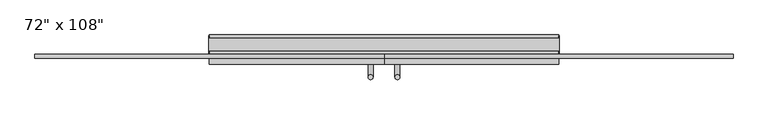
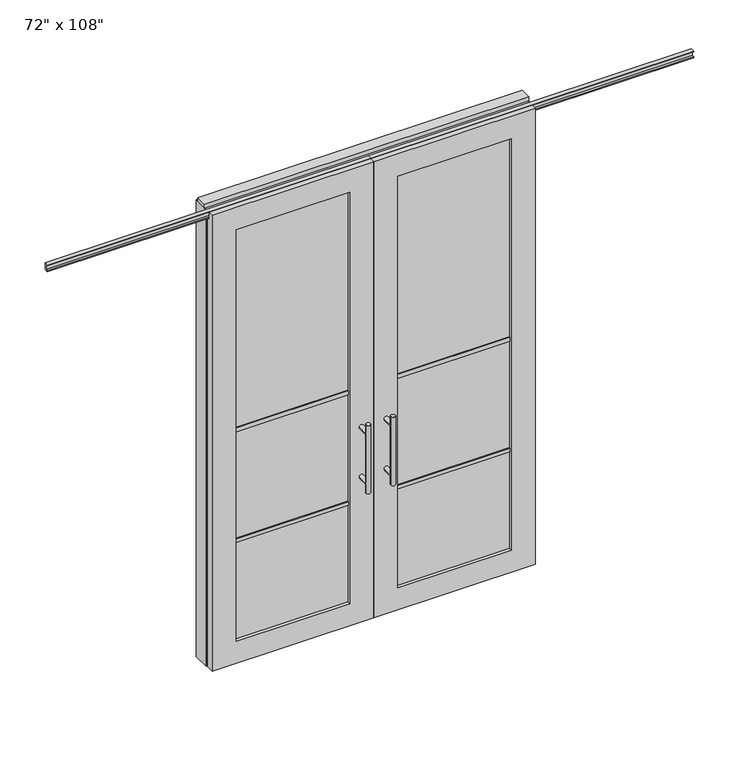
"""IFC4 building model written with IfcOpenShell, lengths in millimetres: furniture geometry."""

from ifc_helpers import new_model, si_unit, frame, origin, origin_with_axes, place, context, project, spatial, polyline, circle_curve, ellipse_curve, outline, extrude, faceted_brep, source, transform, mapped, element, save
from ifc_brep_helpers import plane_surface, cylinder_surface, advanced_brep


def furniture_601c990f(model_context):
    return source(origin(), model_context, "Body", "SolidModel", [
        advanced_brep(
        [(-117.3135229, 5.8962784, 1219.2), (-142.7135229, 5.8962784, 1219.2), (-117.3135229, 5.8962784, 812.8), (-142.7135229, 5.8962784, 812.8), (-117.3135229, 5.8962784, 1164.336), (-117.3135229, 5.8962784, 867.664), (-142.7135229, 5.8962784, 867.664), (-142.7135229, 5.8962784, 1164.336), (-117.3135229, -61.6677216, 1164.336), (-142.7135229, -61.6677216, 1164.336), (-117.3135229, -61.6677216, 867.664), (-142.7135229, -61.6677216, 867.664)],
        [
            (0, 1, circle_curve(frame((-130.0135229, 5.8962784, 1219.2), z_axis=(0.0, 0.0, 1.0), x_axis=(-1.0, 0.0, 0.0)), 12.7)),
            (1, 0, circle_curve(frame((-130.0135229, 5.8962784, 1219.2), z_axis=(0.0, 0.0, 1.0), x_axis=(-1.0, 0.0, 0.0)), 12.7)),
            (2, 3, circle_curve(frame((-130.0135229, 5.8962784, 812.8), z_axis=(0.0, 0.0, -1.0), x_axis=(-1.0, 0.0, 0.0)), 12.7)),
            (3, 2, circle_curve(frame((-130.0135229, 5.8962784, 812.8), z_axis=(0.0, 0.0, -1.0), x_axis=(-1.0, 0.0, 0.0)), 12.7)),
            (0, 4),
            (4, 5),
            (5, 2),
            (3, 6),
            (6, 7),
            (7, 1),
            (7, 4, ellipse_curve(frame((-130.0135229, 5.8962784, 1164.336), z_axis=(0.0, 0.707106781186565, 0.70710678118653), x_axis=(0.0, -0.70710678118653, 0.707106781186565)), 17.9605122, 12.7)),
            (5, 6, ellipse_curve(frame((-130.0135229, 5.8962784, 867.664), z_axis=(0.0, 0.70710678118653, -0.7071067811865649), x_axis=(0.0, 0.7071067811865648, 0.7071067811865301)), 17.9605122, 12.7)),
            (4, 7, ellipse_curve(frame((-130.0135229, 5.8962784, 1164.336), z_axis=(0.0, 0.70710678118653, -0.7071067811865649), x_axis=(0.0, 0.7071067811865648, 0.7071067811865301)), 17.9605122, 12.7)),
            (6, 5, ellipse_curve(frame((-130.0135229, 5.8962784, 867.664), z_axis=(0.0, 0.707106781186565, 0.70710678118653), x_axis=(0.0, -0.70710678118653, 0.707106781186565)), 17.9605122, 12.7)),
            (8, 9, circle_curve(frame((-130.0135229, -61.6677216, 1164.336), z_axis=(0.0, -1.0, 0.0), x_axis=(-1.0, 0.0, 0.0)), 12.7)),
            (9, 8, circle_curve(frame((-130.0135229, -61.6677216, 1164.336), z_axis=(0.0, -1.0, 0.0), x_axis=(-1.0, 0.0, 0.0)), 12.7)),
            (9, 7),
            (4, 8),
            (10, 11, circle_curve(frame((-130.0135229, -61.6677216, 867.664), z_axis=(0.0, -1.0, 0.0), x_axis=(-1.0, 0.0, 0.0)), 12.7)),
            (11, 10, circle_curve(frame((-130.0135229, -61.6677216, 867.664), z_axis=(0.0, -1.0, 0.0), x_axis=(-1.0, 0.0, 0.0)), 12.7)),
            (11, 6),
            (5, 10),
        ],
        [
            plane_surface(frame((-142.7135229, 5.8962784, 1219.2), z_axis=(0.0, 0.0, 1.0), x_axis=(0.0, -1.0, 0.0))),
            plane_surface(frame((-142.7135229, 5.8962784, 812.8), z_axis=(0.0, 0.0, -1.0), x_axis=(0.0, 1.0, 0.0))),
            cylinder_surface(frame((-130.0135229, 5.8962784, 812.8), z_axis=(0.0, 0.0, 1.0), x_axis=(-1.0, 0.0, 0.0)), 12.7),
            plane_surface(frame((-142.7135229, -61.6677216, 1164.336), z_axis=(0.0, -1.0, 0.0), x_axis=(0.0, 0.0, -1.0))),
            cylinder_surface(frame((-130.0135229, -61.6677216, 1164.336), z_axis=(0.0, 1.0, 0.0), x_axis=(-1.0, 0.0, 0.0)), 12.7),
            plane_surface(frame((-142.7135229, -61.6677216, 867.664), z_axis=(0.0, -1.0, 0.0), x_axis=(0.0, 0.0, -1.0))),
            cylinder_surface(frame((-130.0135229, -61.6677216, 867.664), z_axis=(0.0, 1.0, 0.0), x_axis=(-1.0, 0.0, 0.0)), 12.7),
        ],
        [
            (0, [[1, 2]]),
            (1, [[3, 4]]),
            (2, [[-1, 5, 6, 7, -4, 8, 9, 10]]),
            (2, [[-2, -10, 11, -5]]),
            (2, [[-3, -7, 12, -8]]),
            (2, [[13, -9, 14, -6]]),
            (3, [[15, 16]]),
            (4, [[-16, 17, -13, 18]]),
            (4, [[-15, -18, -11, -17]]),
            (5, [[19, 20]]),
            (6, [[-20, 21, -12, 22]]),
            (6, [[-19, -22, -14, -21]]),
        ],
    ),
        advanced_brep(
        [(-117.3135229, -173.6817216, 1219.2), (-142.7135229, -173.6817216, 1219.2), (-117.3135229, -173.6817216, 812.8), (-142.7135229, -173.6817216, 812.8), (-142.7135229, -173.6817216, 1164.336), (-142.7135229, -173.6817216, 867.664), (-117.3135229, -173.6817216, 867.664), (-117.3135229, -173.6817216, 1164.336), (-117.3135229, -106.1177216, 1164.336), (-142.7135229, -106.1177216, 1164.336), (-117.3135229, -106.1177216, 867.664), (-142.7135229, -106.1177216, 867.664)],
        [
            (0, 1, circle_curve(frame((-130.0135229, -173.6817216, 1219.2), z_axis=(0.0, 0.0, 1.0), x_axis=(-1.0, 0.0, 0.0)), 12.7)),
            (1, 0, circle_curve(frame((-130.0135229, -173.6817216, 1219.2), z_axis=(0.0, 0.0, 1.0), x_axis=(-1.0, 0.0, 0.0)), 12.7)),
            (2, 3, circle_curve(frame((-130.0135229, -173.6817216, 812.8), z_axis=(0.0, 0.0, -1.0), x_axis=(-1.0, 0.0, 0.0)), 12.7)),
            (3, 2, circle_curve(frame((-130.0135229, -173.6817216, 812.8), z_axis=(0.0, 0.0, -1.0), x_axis=(-1.0, 0.0, 0.0)), 12.7)),
            (1, 4),
            (4, 5),
            (5, 3),
            (2, 6),
            (6, 7),
            (7, 0),
            (6, 5, ellipse_curve(frame((-130.0135229, -173.6817216, 867.664), z_axis=(0.0, -0.707106781186565, 0.70710678118653), x_axis=(0.0, 0.70710678118653, 0.707106781186565)), 17.9605122, 12.7)),
            (4, 7, ellipse_curve(frame((-130.0135229, -173.6817216, 1164.336), z_axis=(0.0, -0.70710678118653, -0.7071067811865649), x_axis=(0.0, -0.7071067811865648, 0.7071067811865301)), 17.9605122, 12.7)),
            (7, 4, ellipse_curve(frame((-130.0135229, -173.6817216, 1164.336), z_axis=(0.0, -0.707106781186565, 0.70710678118653), x_axis=(0.0, 0.70710678118653, 0.707106781186565)), 17.9605122, 12.7)),
            (5, 6, ellipse_curve(frame((-130.0135229, -173.6817216, 867.664), z_axis=(0.0, -0.70710678118653, -0.7071067811865649), x_axis=(0.0, -0.7071067811865648, 0.7071067811865301)), 17.9605122, 12.7)),
            (8, 9, circle_curve(frame((-130.0135229, -106.1177216, 1164.336), z_axis=(0.0, 1.0, 0.0), x_axis=(-1.0, 0.0, 0.0)), 12.7)),
            (9, 8, circle_curve(frame((-130.0135229, -106.1177216, 1164.336), z_axis=(0.0, 1.0, 0.0), x_axis=(-1.0, 0.0, 0.0)), 12.7)),
            (8, 7),
            (4, 9),
            (10, 11, circle_curve(frame((-130.0135229, -106.1177216, 867.664), z_axis=(0.0, 1.0, 0.0), x_axis=(-1.0, 0.0, 0.0)), 12.7)),
            (11, 10, circle_curve(frame((-130.0135229, -106.1177216, 867.664), z_axis=(0.0, 1.0, 0.0), x_axis=(-1.0, 0.0, 0.0)), 12.7)),
            (10, 6),
            (5, 11),
        ],
        [
            plane_surface(frame((-142.7135229, -173.6817216, 1219.2), z_axis=(0.0, 0.0, 1.0), x_axis=(0.0, 1.0, 0.0))),
            plane_surface(frame((-142.7135229, -173.6817216, 812.8), z_axis=(0.0, 0.0, -1.0), x_axis=(0.0, -1.0, 0.0))),
            cylinder_surface(frame((-130.0135229, -173.6817216, 812.8), z_axis=(0.0, 0.0, 1.0), x_axis=(-1.0, 0.0, 0.0)), 12.7),
            plane_surface(frame((-142.7135229, -106.1177216, 1164.336), z_axis=(0.0, 1.0, 0.0), x_axis=(0.0, 0.0, -1.0))),
            cylinder_surface(frame((-130.0135229, -106.1177216, 1164.336), z_axis=(0.0, -1.0, 0.0), x_axis=(-1.0, 0.0, 0.0)), 12.7),
            plane_surface(frame((-142.7135229, -106.1177216, 867.664), z_axis=(0.0, 1.0, 0.0), x_axis=(0.0, 0.0, -1.0))),
            cylinder_surface(frame((-130.0135229, -106.1177216, 867.664), z_axis=(0.0, -1.0, 0.0), x_axis=(-1.0, 0.0, 0.0)), 12.7),
        ],
        [
            (0, [[1, 2]]),
            (1, [[3, 4]]),
            (2, [[5, 6, 7, -3, 8, 9, 10, -2]]),
            (2, [[-9, 11, -6, 12]]),
            (2, [[-10, 13, -5, -1]]),
            (2, [[-7, 14, -8, -4]]),
            (3, [[15, 16]]),
            (4, [[17, -12, 18, -15]]),
            (4, [[-18, -13, -17, -16]]),
            (5, [[19, 20]]),
            (6, [[21, -14, 22, -19]]),
            (6, [[-22, -11, -21, -20]]),
        ],
    ),
        extrude(outline(polyline([(-196.0535229, -95.0052216), (-834.4825229, -95.0052216), (-834.4825229, -72.7802216), (-196.0535229, -72.7802216), (-196.0535229, -95.0052216)])), frame((0.0, 0.0, 1371.6), z_axis=(0.0, 0.0, 1.0), x_axis=(1.0, 0.0, 0.0)), (0.0, 0.0, 1.0), 22.225),
        extrude(outline(polyline([(-196.0535229, -95.0052216), (-834.4825229, -95.0052216), (-834.4825229, -72.7802216), (-196.0535229, -72.7802216), (-196.0535229, -95.0052216)])), frame((0.0, 0.0, 711.2), z_axis=(0.0, 0.0, 1.0), x_axis=(1.0, 0.0, 0.0)), (0.0, 0.0, 1.0), 22.225),
        extrude(outline(polyline([(-834.4825229, -88.9727216), (-834.4825229, -78.8127216), (-196.0535229, -78.8127216), (-196.0535229, -88.9727216), (-834.4825229, -88.9727216)])), frame((0.0, 0.0, 132.969), z_axis=(0.0, 0.0, 1.0), x_axis=(1.0, 0.0, 0.0)), (0.0, 0.0, 1.0), 2451.862),
        extrude(outline(polyline([(-75.3837216, 2681.478), (-75.3837216, 2686.812), (-62.6837216, 2686.812), (-62.6837216, 2715.768), (-75.3837216, 2715.768), (-75.3837216, 2721.102), (-53.6667216, 2721.102), (-53.6667216, 2681.478), (-75.3837216, 2681.478)])), frame((-1880.9625229, 0.0, 0.0), z_axis=(1.0, 0.0, 0.0), x_axis=(0.0, 1.0, 0.0)), (0.0, 0.0, 1.0), 1820.926),
        faceted_brep([(-60.0365229, -106.1177216, 0.0), (-60.0365229, -106.1177216, 2717.8), (-970.4995229, -106.1177216, 2717.8), (-970.4995229, -106.1177216, 0.0), (-834.4825229, -106.1177216, 2584.831), (-196.0535229, -106.1177216, 2584.831), (-196.0535229, -106.1177216, 132.969), (-834.4825229, -106.1177216, 132.969), (-60.0365229, -78.6857216, 2717.8), (-60.0365229, -78.6857216, 2673.223), (-970.4995229, -78.6857216, 2673.223), (-970.4995229, -78.6857216, 2717.8), (-60.0365229, -61.6677216, 0.0), (-60.0365229, -61.6677216, 2673.223), (-970.4995229, -61.6677216, 2673.223), (-970.4995229, -61.6677216, 0.0), (-834.4825229, -61.6677216, 2584.831), (-834.4825229, -61.6677216, 132.969), (-196.0535229, -61.6677216, 132.969), (-196.0535229, -61.6677216, 2584.831)], [[[0, 1, 2, 3], [4, 5, 6, 7]], [[8, 9, 10, 11]], [[0, 12, 13, 9, 8, 1]], [[2, 11, 10, 14, 15, 3]], [[1, 8, 11, 2]], [[14, 13, 12, 15], [16, 17, 18, 19]], [[14, 10, 9, 13]], [[3, 15, 12, 0]], [[7, 17, 16, 4]], [[6, 18, 17, 7]], [[5, 19, 18, 6]], [[4, 16, 19, 5]]]),
        advanced_brep(
        [(-2.7595229, 5.8962784, 1219.2), (22.6404771, 5.8962784, 1219.2), (-2.7595229, 5.8962784, 812.8), (22.6404771, 5.8962784, 812.8), (22.6404771, 5.8962784, 1164.336), (22.6404771, 5.8962784, 867.664), (-2.7595229, 5.8962784, 867.664), (-2.7595229, 5.8962784, 1164.336), (-2.7595229, -61.6677216, 1164.336), (22.6404771, -61.6677216, 1164.336), (-2.7595229, -61.6677216, 867.664), (22.6404771, -61.6677216, 867.664)],
        [
            (0, 1, circle_curve(frame((9.9404771, 5.8962784, 1219.2), z_axis=(0.0, 0.0, 1.0), x_axis=(1.0, 0.0, 0.0)), 12.7)),
            (1, 0, circle_curve(frame((9.9404771, 5.8962784, 1219.2), z_axis=(0.0, 0.0, 1.0), x_axis=(1.0, 0.0, 0.0)), 12.7)),
            (2, 3, circle_curve(frame((9.9404771, 5.8962784, 812.8), z_axis=(0.0, 0.0, -1.0), x_axis=(1.0, 0.0, 0.0)), 12.7)),
            (3, 2, circle_curve(frame((9.9404771, 5.8962784, 812.8), z_axis=(0.0, 0.0, -1.0), x_axis=(1.0, 0.0, 0.0)), 12.7)),
            (1, 4),
            (4, 5),
            (5, 3),
            (2, 6),
            (6, 7),
            (7, 0),
            (6, 5, ellipse_curve(frame((9.9404771, 5.8962784, 867.664), z_axis=(0.0, 0.707106781186565, 0.70710678118653), x_axis=(0.0, -0.70710678118653, 0.707106781186565)), 17.9605122, 12.7)),
            (4, 7, ellipse_curve(frame((9.9404771, 5.8962784, 1164.336), z_axis=(0.0, 0.70710678118653, -0.7071067811865649), x_axis=(0.0, 0.7071067811865648, 0.7071067811865301)), 17.9605122, 12.7)),
            (7, 4, ellipse_curve(frame((9.9404771, 5.8962784, 1164.336), z_axis=(0.0, 0.707106781186565, 0.70710678118653), x_axis=(0.0, -0.70710678118653, 0.707106781186565)), 17.9605122, 12.7)),
            (5, 6, ellipse_curve(frame((9.9404771, 5.8962784, 867.664), z_axis=(0.0, 0.70710678118653, -0.7071067811865649), x_axis=(0.0, 0.7071067811865648, 0.7071067811865301)), 17.9605122, 12.7)),
            (8, 9, circle_curve(frame((9.9404771, -61.6677216, 1164.336), z_axis=(0.0, -1.0, 0.0), x_axis=(1.0, 0.0, 0.0)), 12.7)),
            (9, 8, circle_curve(frame((9.9404771, -61.6677216, 1164.336), z_axis=(0.0, -1.0, 0.0), x_axis=(1.0, 0.0, 0.0)), 12.7)),
            (8, 7),
            (4, 9),
            (10, 11, circle_curve(frame((9.9404771, -61.6677216, 867.664), z_axis=(0.0, -1.0, 0.0), x_axis=(1.0, 0.0, 0.0)), 12.7)),
            (11, 10, circle_curve(frame((9.9404771, -61.6677216, 867.664), z_axis=(0.0, -1.0, 0.0), x_axis=(1.0, 0.0, 0.0)), 12.7)),
            (10, 6),
            (5, 11),
        ],
        [
            plane_surface(frame((22.6404771, 5.8962784, 1219.2), z_axis=(0.0, 0.0, 1.0), x_axis=(0.0, -1.0, 0.0))),
            plane_surface(frame((22.6404771, 5.8962784, 812.8), z_axis=(0.0, 0.0, -1.0), x_axis=(0.0, 1.0, 0.0))),
            cylinder_surface(frame((9.9404771, 5.8962784, 812.8), z_axis=(0.0, 0.0, 1.0), x_axis=(1.0, 0.0, 0.0)), 12.7),
            plane_surface(frame((22.6404771, -61.6677216, 1164.336), z_axis=(0.0, -1.0, 0.0), x_axis=(0.0, 0.0, -1.0))),
            cylinder_surface(frame((9.9404771, -61.6677216, 1164.336), z_axis=(0.0, 1.0, 0.0), x_axis=(1.0, 0.0, 0.0)), 12.7),
            plane_surface(frame((22.6404771, -61.6677216, 867.664), z_axis=(0.0, -1.0, 0.0), x_axis=(0.0, 0.0, -1.0))),
            cylinder_surface(frame((9.9404771, -61.6677216, 867.664), z_axis=(0.0, 1.0, 0.0), x_axis=(1.0, 0.0, 0.0)), 12.7),
        ],
        [
            (0, [[1, 2]]),
            (1, [[3, 4]]),
            (2, [[5, 6, 7, -3, 8, 9, 10, -2]]),
            (2, [[-9, 11, -6, 12]]),
            (2, [[-10, 13, -5, -1]]),
            (2, [[-7, 14, -8, -4]]),
            (3, [[15, 16]]),
            (4, [[17, -12, 18, -15]]),
            (4, [[-18, -13, -17, -16]]),
            (5, [[19, 20]]),
            (6, [[21, -14, 22, -19]]),
            (6, [[-22, -11, -21, -20]]),
        ],
    ),
        advanced_brep(
        [(-2.7595229, -173.6817216, 1219.2), (22.6404771, -173.6817216, 1219.2), (-2.7595229, -173.6817216, 812.8), (22.6404771, -173.6817216, 812.8), (-2.7595229, -173.6817216, 1164.336), (-2.7595229, -173.6817216, 867.664), (22.6404771, -173.6817216, 867.664), (22.6404771, -173.6817216, 1164.336), (-2.7595229, -106.1177216, 1164.336), (22.6404771, -106.1177216, 1164.336), (-2.7595229, -106.1177216, 867.664), (22.6404771, -106.1177216, 867.664)],
        [
            (0, 1, circle_curve(frame((9.9404771, -173.6817216, 1219.2), z_axis=(0.0, 0.0, 1.0), x_axis=(1.0, 0.0, 0.0)), 12.7)),
            (1, 0, circle_curve(frame((9.9404771, -173.6817216, 1219.2), z_axis=(0.0, 0.0, 1.0), x_axis=(1.0, 0.0, 0.0)), 12.7)),
            (2, 3, circle_curve(frame((9.9404771, -173.6817216, 812.8), z_axis=(0.0, 0.0, -1.0), x_axis=(1.0, 0.0, 0.0)), 12.7)),
            (3, 2, circle_curve(frame((9.9404771, -173.6817216, 812.8), z_axis=(0.0, 0.0, -1.0), x_axis=(1.0, 0.0, 0.0)), 12.7)),
            (0, 4),
            (4, 5),
            (5, 2),
            (3, 6),
            (6, 7),
            (7, 1),
            (7, 4, ellipse_curve(frame((9.9404771, -173.6817216, 1164.336), z_axis=(0.0, -0.707106781186565, 0.70710678118653), x_axis=(0.0, 0.70710678118653, 0.707106781186565)), 17.9605122, 12.7)),
            (5, 6, ellipse_curve(frame((9.9404771, -173.6817216, 867.664), z_axis=(0.0, -0.70710678118653, -0.7071067811865649), x_axis=(0.0, -0.7071067811865648, 0.7071067811865301)), 17.9605122, 12.7)),
            (4, 7, ellipse_curve(frame((9.9404771, -173.6817216, 1164.336), z_axis=(0.0, -0.70710678118653, -0.7071067811865649), x_axis=(0.0, -0.7071067811865648, 0.7071067811865301)), 17.9605122, 12.7)),
            (6, 5, ellipse_curve(frame((9.9404771, -173.6817216, 867.664), z_axis=(0.0, -0.707106781186565, 0.70710678118653), x_axis=(0.0, 0.70710678118653, 0.707106781186565)), 17.9605122, 12.7)),
            (8, 9, circle_curve(frame((9.9404771, -106.1177216, 1164.336), z_axis=(0.0, 1.0, 0.0), x_axis=(1.0, 0.0, 0.0)), 12.7)),
            (9, 8, circle_curve(frame((9.9404771, -106.1177216, 1164.336), z_axis=(0.0, 1.0, 0.0), x_axis=(1.0, 0.0, 0.0)), 12.7)),
            (9, 7),
            (4, 8),
            (10, 11, circle_curve(frame((9.9404771, -106.1177216, 867.664), z_axis=(0.0, 1.0, 0.0), x_axis=(1.0, 0.0, 0.0)), 12.7)),
            (11, 10, circle_curve(frame((9.9404771, -106.1177216, 867.664), z_axis=(0.0, 1.0, 0.0), x_axis=(1.0, 0.0, 0.0)), 12.7)),
            (11, 6),
            (5, 10),
        ],
        [
            plane_surface(frame((22.6404771, -173.6817216, 1219.2), z_axis=(0.0, 0.0, 1.0), x_axis=(0.0, 1.0, 0.0))),
            plane_surface(frame((22.6404771, -173.6817216, 812.8), z_axis=(0.0, 0.0, -1.0), x_axis=(0.0, -1.0, 0.0))),
            cylinder_surface(frame((9.9404771, -173.6817216, 812.8), z_axis=(0.0, 0.0, 1.0), x_axis=(1.0, 0.0, 0.0)), 12.7),
            plane_surface(frame((22.6404771, -106.1177216, 1164.336), z_axis=(0.0, 1.0, 0.0), x_axis=(0.0, 0.0, -1.0))),
            cylinder_surface(frame((9.9404771, -106.1177216, 1164.336), z_axis=(0.0, -1.0, 0.0), x_axis=(1.0, 0.0, 0.0)), 12.7),
            plane_surface(frame((22.6404771, -106.1177216, 867.664), z_axis=(0.0, 1.0, 0.0), x_axis=(0.0, 0.0, -1.0))),
            cylinder_surface(frame((9.9404771, -106.1177216, 867.664), z_axis=(0.0, -1.0, 0.0), x_axis=(1.0, 0.0, 0.0)), 12.7),
        ],
        [
            (0, [[1, 2]]),
            (1, [[3, 4]]),
            (2, [[-1, 5, 6, 7, -4, 8, 9, 10]]),
            (2, [[-2, -10, 11, -5]]),
            (2, [[-3, -7, 12, -8]]),
            (2, [[13, -9, 14, -6]]),
            (3, [[15, 16]]),
            (4, [[-16, 17, -13, 18]]),
            (4, [[-15, -18, -11, -17]]),
            (5, [[19, 20]]),
            (6, [[-20, 21, -12, 22]]),
            (6, [[-19, -22, -14, -21]]),
        ],
    ),
        extrude(outline(polyline([(75.9804771, -95.0052216), (75.9804771, -72.7802216), (714.4094771, -72.7802216), (714.4094771, -95.0052216), (75.9804771, -95.0052216)])), frame((0.0, 0.0, 1371.6), z_axis=(0.0, 0.0, 1.0), x_axis=(1.0, 0.0, 0.0)), (0.0, 0.0, 1.0), 22.225),
        extrude(outline(polyline([(75.9804771, -95.0052216), (75.9804771, -72.7802216), (714.4094771, -72.7802216), (714.4094771, -95.0052216), (75.9804771, -95.0052216)])), frame((0.0, 0.0, 711.2), z_axis=(0.0, 0.0, 1.0), x_axis=(1.0, 0.0, 0.0)), (0.0, 0.0, 1.0), 22.225),
        extrude(outline(polyline([(714.4094771, -88.9727216), (75.9804771, -88.9727216), (75.9804771, -78.8127216), (714.4094771, -78.8127216), (714.4094771, -88.9727216)])), frame((0.0, 0.0, 132.969), z_axis=(0.0, 0.0, 1.0), x_axis=(1.0, 0.0, 0.0)), (0.0, 0.0, 1.0), 2451.862),
        extrude(outline(polyline([(-75.3837216, 2681.478), (-75.3837216, 2686.812), (-62.6837216, 2686.812), (-62.6837216, 2715.768), (-75.3837216, 2715.768), (-75.3837216, 2721.102), (-53.6667216, 2721.102), (-53.6667216, 2681.478), (-75.3837216, 2681.478)])), frame((-60.0365229, 0.0, 0.0), z_axis=(1.0, 0.0, 0.0), x_axis=(0.0, 1.0, 0.0)), (0.0, 0.0, 1.0), 1820.926),
        faceted_brep([(-60.0365229, -106.1177216, 0.0), (850.4264771, -106.1177216, 0.0), (850.4264771, -106.1177216, 2717.8), (-60.0365229, -106.1177216, 2717.8), (714.4094771, -106.1177216, 2584.831), (714.4094771, -106.1177216, 132.969), (75.9804771, -106.1177216, 132.969), (75.9804771, -106.1177216, 2584.831), (-60.0365229, -78.6857216, 2717.8), (850.4264771, -78.6857216, 2717.8), (850.4264771, -78.6857216, 2673.223), (-60.0365229, -78.6857216, 2673.223), (-60.0365229, -61.6677216, 2673.223), (-60.0365229, -61.6677216, 0.0), (850.4264771, -61.6677216, 0.0), (850.4264771, -61.6677216, 2673.223), (714.4094771, -61.6677216, 2584.831), (75.9804771, -61.6677216, 2584.831), (75.9804771, -61.6677216, 132.969), (714.4094771, -61.6677216, 132.969)], [[[0, 1, 2, 3], [4, 5, 6, 7]], [[8, 9, 10, 11]], [[0, 3, 8, 11, 12, 13]], [[2, 1, 14, 15, 10, 9]], [[3, 2, 9, 8]], [[15, 14, 13, 12], [16, 17, 18, 19]], [[15, 12, 11, 10]], [[1, 0, 13, 14]], [[5, 4, 16, 19]], [[6, 5, 19, 18]], [[7, 6, 18, 17]], [[4, 7, 17, 16]]]),
        extrude(outline(polyline([(-970.4995229, -55.3177216), (-970.4995229, 46.2822784), (850.4264771, 46.2822784), (850.4264771, -55.3177216), (-970.4995229, -55.3177216)])), frame((0.0, 0.0, 2654.3), z_axis=(0.0, 0.0, 1.0), x_axis=(1.0, 0.0, 0.0)), (0.0, 0.0, 1.0), 22.225),
        extrude(outline(polyline([(854.3634771, -50.3647216), (850.4264771, -50.3647216), (850.4264771, 41.3292784), (854.3634771, 41.3292784), (854.3634771, -50.3647216)])), origin_with_axes(), (0.0, 0.0, 1.0), 2717.8),
        extrude(outline(polyline([(-974.4365229, -50.3647216), (-974.4365229, 41.3292784), (-970.4995229, 41.3292784), (-970.4995229, -50.3647216), (-974.4365229, -50.3647216)])), origin_with_axes(), (0.0, 0.0, 1.0), 2717.8),
        extrude(outline(polyline([(828.2014771, -55.3177216), (828.2014771, 46.2822784), (850.4264771, 46.2822784), (850.4264771, -55.3177216), (828.2014771, -55.3177216)])), origin_with_axes(), (0.0, 0.0, 1.0), 2654.3),
        extrude(outline(polyline([(-948.2745229, -55.3177216), (-970.4995229, -55.3177216), (-970.4995229, 46.2822784), (-948.2745229, 46.2822784), (-948.2745229, -55.3177216)])), origin_with_axes(), (0.0, 0.0, 1.0), 2654.3),
        extrude(outline(polyline([(-55.3177216, 2681.478), (-55.3177216, 2717.8), (46.2822784, 2717.8), (46.2822784, 2681.478), (41.3292784, 2681.478), (41.3292784, 2676.525), (-50.3647216, 2676.525), (-50.3647216, 2681.478), (-55.3177216, 2681.478)])), frame((-970.4995229, 0.0, 0.0), z_axis=(1.0, 0.0, 0.0), x_axis=(0.0, 1.0, 0.0)), (0.0, 0.0, 1.0), 1820.926),
        extrude(outline(polyline([(-974.4365229, -37.0297216), (-974.4365229, 27.9942784), (854.3634771, 27.9942784), (854.3634771, -37.0297216), (-974.4365229, -37.0297216)])), frame((0.0, 0.0, 2717.8), z_axis=(0.0, 0.0, 1.0), x_axis=(1.0, 0.0, 0.0)), (0.0, 0.0, 1.0), 25.4),
    ])


if __name__ == "__main__":
    model = new_model("IFC4")
    model_context = context("Model", 3, world=origin())
    ifc_project = project(units=[si_unit("LENGTHUNIT", "METRE", prefix="MILLI")], contexts=[model_context])
    site = spatial("IfcSite", under=ifc_project)
    building = spatial("IfcBuilding", under=site)
    placement = place(None, origin())
    furniture_shape = furniture_601c990f(model_context)
    element("IfcFurniture", 1, ObjectType="72\" x 108\"", at=placement, inside=building, context=model_context, shape_type="MappedRepresentation", body=[
        mapped(furniture_shape, transform((0.0, 0.0, 0.0), x_axis=(1.0, 0.0, 0.0), y_axis=(0.0, 1.0, 0.0), z_axis=(0.0, 0.0, 1.0))),
    ])
    save(model, "model.ifc")
